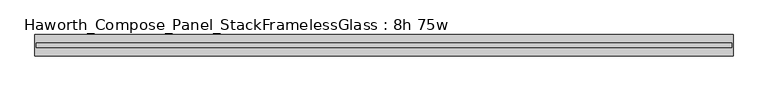
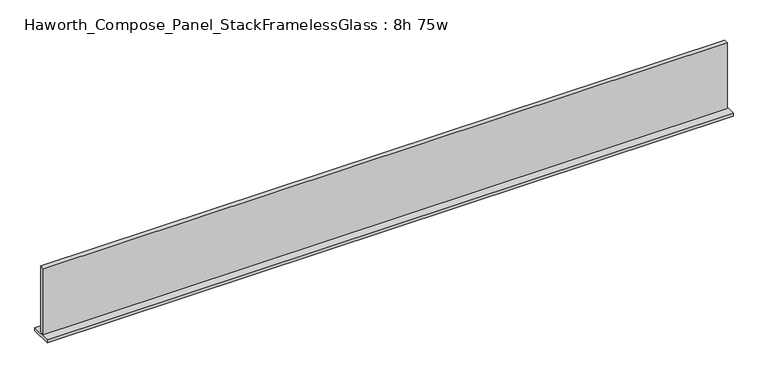
"""IFC4 building model written with IfcOpenShell, lengths in millimetres: furniture geometry, Haworth_Compose_Panel_StackFramelessGlass : 8h 75w."""

from ifc_helpers import new_model, si_unit, frame, origin, place, context, project, spatial, polyline, outline, extrude, source, transform, mapped, element, save


def haworth_compose_panel_stackframelessglass_8h_75w_d6f04d26(model_context):
    return source(origin(), model_context, "Body", "SweptSolid", [
        extrude(outline(polyline([(951.7652902, -27.3093594), (-946.8847098, -27.3093594), (-946.8847098, -14.6093594), (951.7652902, -14.6093594), (951.7652902, -27.3093594)])), frame((0.0, 0.0, 1279.525), z_axis=(0.0, 0.0, 1.0), x_axis=(1.0, 0.0, 0.0)), (0.0, 0.0, 1.0), 193.675),
        extrude(outline(polyline([(-950.0597098, -50.3281094), (-950.0597098, 8.4093906), (954.9402902, 8.4093906), (954.9402902, -50.3281094), (-950.0597098, -50.3281094)])), frame((0.0, 0.0, 1270.0), z_axis=(0.0, 0.0, 1.0), x_axis=(1.0, 0.0, 0.0)), (0.0, 0.0, 1.0), 9.525),
    ])


if __name__ == "__main__":
    model = new_model("IFC4")
    model_context = context("Model", 3, world=origin())
    ifc_project = project(units=[si_unit("LENGTHUNIT", "METRE", prefix="MILLI")], contexts=[model_context])
    site = spatial("IfcSite", under=ifc_project)
    building = spatial("IfcBuilding", under=site)
    placement = place(None, origin())
    haworth_compose_panel_stackframelessglass_8h_75w_shape = haworth_compose_panel_stackframelessglass_8h_75w_d6f04d26(model_context)
    element("IfcFurniture", 1, ObjectType="Haworth_Compose_Panel_StackFramelessGlass : 8h 75w", at=placement, inside=building, context=model_context, shape_type="MappedRepresentation", body=[
        mapped(haworth_compose_panel_stackframelessglass_8h_75w_shape, transform((0.0, 0.0, 0.0), x_axis=(1.0, 0.0, 0.0), y_axis=(0.0, 1.0, 0.0), z_axis=(0.0, 0.0, 1.0))),
    ])
    save(model, "model.ifc")
